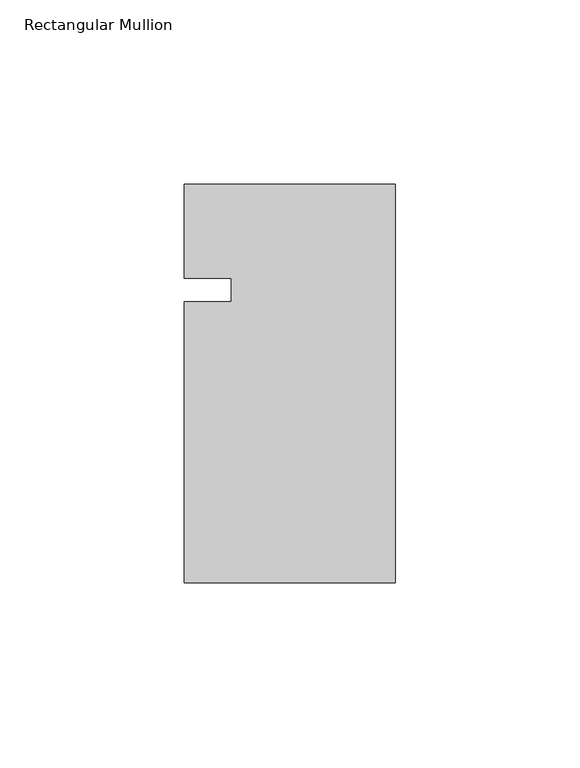
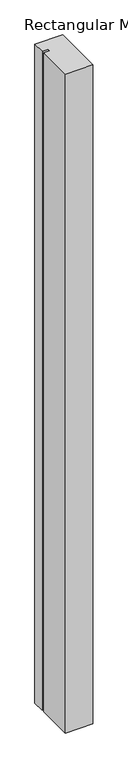
"""IFC4 building model written with IfcOpenShell, lengths in millimetres: member geometry, Rectangular Mullion."""

import ifcopenshell
import ifcopenshell.guid

model = None  # the IFC model being written
_history = None  # IfcOwnerHistory: only IFC2X3 demands one
_inside = {}  # id of a spatial element -> (the spatial element, [elements in it])
_under = {}  # id of a project, library or spatial element -> (it, [spatial elements below it])
_declared = {}  # id of a project -> (the project, [libraries it declares])
_typed = {}  # id of a type object -> (the type object, [elements of that type])
_made_of = {}  # id of a material, layer set ... -> (it, [elements and type objects made of it])


def new_model(schema):
    """Start an empty IFC model of exactly this schema.

    Asked for "IFC4X3", IfcOpenShell would pick the latest addendum, in which some entities
    have other attributes; the version numbers below select the first issue.
    IFC2X3 requires an IfcOwnerHistory on every rooted entity: one is made here for all.
    """
    global model, _history
    if schema == "IFC4X3":
        model = ifcopenshell.file(schema_version=(4, 3, 0, 0))
    else:
        model = ifcopenshell.file(schema=schema)
    _inside.clear()
    _under.clear()
    _declared.clear()
    _typed.clear()
    _made_of.clear()
    _history = None
    if model.schema == "IFC2X3":
        org = make("IfcOrganization", Name="unknown")
        user = make(
            "IfcPersonAndOrganization",
            ThePerson=make("IfcPerson", FamilyName="unknown"),
            TheOrganization=org,
        )
        app = make(
            "IfcApplication",
            ApplicationDeveloper=org,
            Version="unknown",
            ApplicationFullName="unknown",
            ApplicationIdentifier="unknown",
        )
        _history = make(
            "IfcOwnerHistory",
            OwningUser=user,
            OwningApplication=app,
            ChangeAction="ADDED",
            CreationDate=0,
        )
    return model


def make(cls, **values):
    """One entity of the class cls with the attributes given. An attribute that is None is left unset."""
    return model.create_entity(
        cls, **{name: value for name, value in values.items() if value is not None}
    )


def rooted(cls, **values):
    """An entity with a GlobalId (a new one), such as an element, a storey or a relation."""
    return make(cls, GlobalId=ifcopenshell.guid.new(), OwnerHistory=_history, **values)


def si_unit(unit_type, name, prefix=None):
    """IfcSIUnit, for example si_unit("LENGTHUNIT", "METRE", prefix="MILLI")."""
    return make("IfcSIUnit", UnitType=unit_type, Prefix=prefix, Name=name)


def assignment(units):
    """IfcUnitAssignment: the units of a project."""
    return None if units is None else make("IfcUnitAssignment", Units=units)


def point(xyz):
    """IfcCartesianPoint."""
    return None if xyz is None else make("IfcCartesianPoint", Coordinates=xyz)


def direction(xyz):
    """IfcDirection."""
    return None if xyz is None else make("IfcDirection", DirectionRatios=xyz)


def frame(location, z_axis=None, x_axis=None):
    """IfcAxis2Placement3D, a coordinate frame: its origin and axes. An axis left out is left unset."""
    return make(
        "IfcAxis2Placement3D",
        Location=point(location),
        Axis=direction(z_axis),
        RefDirection=direction(x_axis),
    )


def origin():
    """The frame at (0, 0, 0) with its axes left unset."""
    return frame((0.0, 0.0, 0.0))


def place(relative_to, where):
    """IfcLocalPlacement: puts the frame where relative to a parent placement (None: the world)."""
    return make(
        "IfcLocalPlacement", PlacementRelTo=relative_to, RelativePlacement=where
    )


def context(
    kind, dimensions, precision=None, world=None, true_north=None, identifier=None
):
    """IfcGeometricRepresentationContext, for example the 3D "Model" context."""
    return make(
        "IfcGeometricRepresentationContext",
        ContextIdentifier=identifier,
        ContextType=kind,
        CoordinateSpaceDimension=dimensions,
        Precision=precision,
        WorldCoordinateSystem=world,
        TrueNorth=true_north,
    )


def project(units=None, contexts=None):
    """IfcProject with its units and contexts."""
    return rooted(
        "IfcProject",
        Name="project",
        RepresentationContexts=contexts,
        UnitsInContext=assignment(units),
    )


def spatial(cls, under=None, at=None, **own):
    """A site, building, storey or space (cls), placed at a placement, below another one or the project."""
    s = rooted(cls, ObjectPlacement=at, **own)
    if under is not None:
        _under.setdefault(under.id(), (under, []))[1].append(s)
    return s


def polyline(points):
    """IfcPolyline through the points."""
    return make("IfcPolyline", Points=[point(p) for p in points])


def outline(outer, holes=None, kind="AREA"):
    """IfcArbitraryClosedProfileDef: a profile drawn as a closed curve; with holes, ...WithVoids."""
    if holes is None:
        return make("IfcArbitraryClosedProfileDef", ProfileType=kind, OuterCurve=outer)
    return make(
        "IfcArbitraryProfileDefWithVoids",
        ProfileType=kind,
        OuterCurve=outer,
        InnerCurves=holes,
    )


def extrude(swept, where, along, depth):
    """IfcExtrudedAreaSolid: the profile swept, set in the frame where, extruded along a direction by depth."""
    return make(
        "IfcExtrudedAreaSolid",
        SweptArea=swept,
        Position=where,
        ExtrudedDirection=direction(along),
        Depth=depth,
    )


def shape(context_of_items, identifier, shape_type, items):
    """IfcShapeRepresentation: the items that make up one representation, for example the "Body"."""
    return make(
        "IfcShapeRepresentation",
        ContextOfItems=context_of_items,
        RepresentationIdentifier=identifier,
        RepresentationType=shape_type,
        Items=items,
    )


def source(mapping_origin, context_of_items, identifier, shape_type, items):
    """IfcRepresentationMap: a shape defined once, which mapped items show again and again."""
    return make(
        "IfcRepresentationMap",
        MappingOrigin=mapping_origin,
        MappedRepresentation=shape(context_of_items, identifier, shape_type, items),
    )


def transform(
    local_origin,
    x_axis=None,
    y_axis=None,
    z_axis=None,
    scale=None,
    scale2=None,
    scale3=None,
    uniform=True,
):
    """IfcCartesianTransformationOperator3D, or its non-uniform kind. x_axis, y_axis, z_axis: its Axis1, 2, 3."""
    if uniform:
        return make(
            "IfcCartesianTransformationOperator3D",
            Axis1=direction(x_axis),
            Axis2=direction(y_axis),
            LocalOrigin=point(local_origin),
            Scale=scale,
            Axis3=direction(z_axis),
        )
    return make(
        "IfcCartesianTransformationOperator3DnonUniform",
        Axis1=direction(x_axis),
        Axis2=direction(y_axis),
        LocalOrigin=point(local_origin),
        Scale=scale,
        Axis3=direction(z_axis),
        Scale2=scale2,
        Scale3=scale3,
    )


def mapped(mapping_source, mapping_target):
    """IfcMappedItem: shows the shape of a source again, moved by a transform."""
    return make(
        "IfcMappedItem", MappingSource=mapping_source, MappingTarget=mapping_target
    )


def made_of(thing, what):
    """Note that an element or type object is made of a material, layer set ...; save() writes the relation."""
    if what is not None:
        _made_of.setdefault(what.id(), (what, []))[1].append(thing)
    return thing


def element(
    cls,
    number,
    at=None,
    inside=None,
    cuts=None,
    type_object=None,
    material=None,
    context=None,
    identifier="Body",
    shape_type=None,
    held_by="IfcProductDefinitionShape",
    body=None,
    shapes=None,
    **own,
):
    """One element of the class cls, such as IfcWall. Its Tag is "e" and its number.

    at: its placement. inside: the storey or other place that contains it. cuts: it is an
    opening in that element (IfcRelVoidsElement). A single representation is given by context,
    identifier, shape_type and body (its items); several are given by shapes. held_by: the class
    of the entity that holds the representations. save() writes the other relations.
    """
    e = rooted(cls, Tag="e%d" % number, ObjectPlacement=at, **own)
    if body is not None:
        shapes = [shape(context, identifier, shape_type, body)]
    if shapes is not None:
        e.Representation = make(held_by, Representations=shapes)
    if inside is not None:
        _inside.setdefault(inside.id(), (inside, []))[1].append(e)
    if cuts is not None:
        rooted(
            "IfcRelVoidsElement", RelatingBuildingElement=cuts, RelatedOpeningElement=e
        )
    if type_object is not None:
        _typed.setdefault(type_object.id(), (type_object, []))[1].append(e)
    return made_of(e, material)


def aggregate(whole, parts):
    """IfcRelAggregates: a whole, such as a stair, and the parts it consists of."""
    return rooted("IfcRelAggregates", RelatingObject=whole, RelatedObjects=parts)


def save(model, path):
    """Write the relations noted so far, then the file.

    IfcRelAggregates (storeys below a building ...), IfcRelContainedInSpatialStructure (elements
    in a storey), IfcRelDefinesByType, IfcRelAssociatesMaterial and IfcRelDeclares: one each for
    every whole, place, type object, material and project.
    """
    for whole, parts in _under.values():
        aggregate(whole, parts)
    for where, things in _inside.values():
        rooted(
            "IfcRelContainedInSpatialStructure",
            RelatedElements=things,
            RelatingStructure=where,
        )
    for kind, things in _typed.values():
        rooted("IfcRelDefinesByType", RelatedObjects=things, RelatingType=kind)
    for what, things in _made_of.values():
        rooted("IfcRelAssociatesMaterial", RelatedObjects=things, RelatingMaterial=what)
    for by, libraries in _declared.values():
        rooted("IfcRelDeclares", RelatingContext=by, RelatedDefinitions=libraries)
    model.write(path)


def rectangular_mullion_01fbc74b(model_context):
    return source(origin(), model_context, "Body", "SweptSolid", [
        extrude(outline(polyline([(-57.15, -79.375), (-57.15, -3.175), (-44.4482296, -3.175), (-44.4482296, 3.175), (-57.15, 3.175), (-57.15, 28.575), (0.0, 28.575), (0.0, -79.375), (-57.15, -79.375)])), frame((0.0, 0.0, -1433.9405973), z_axis=(0.0, 0.0, 1.0), x_axis=(1.0, 0.0, 0.0)), (0.0, 0.0, 1.0), 1433.9405973),
    ])


if __name__ == "__main__":
    model = new_model("IFC4")
    model_context = context("Model", 3, world=origin())
    ifc_project = project(units=[si_unit("LENGTHUNIT", "METRE", prefix="MILLI")], contexts=[model_context])
    site = spatial("IfcSite", under=ifc_project)
    building = spatial("IfcBuilding", under=site)
    placement = place(None, origin())
    rectangular_mullion_shape = rectangular_mullion_01fbc74b(model_context)
    element("IfcMember", 1, ObjectType="Rectangular Mullion", at=placement, inside=building, context=model_context, shape_type="MappedRepresentation", body=[
        mapped(rectangular_mullion_shape, transform((0.0, 0.0, 0.0), x_axis=(1.0, 0.0, 0.0), y_axis=(0.0, 1.0, 0.0), z_axis=(0.0, 0.0, 1.0))),
    ])
    save(model, "model.ifc")
